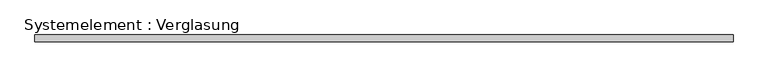
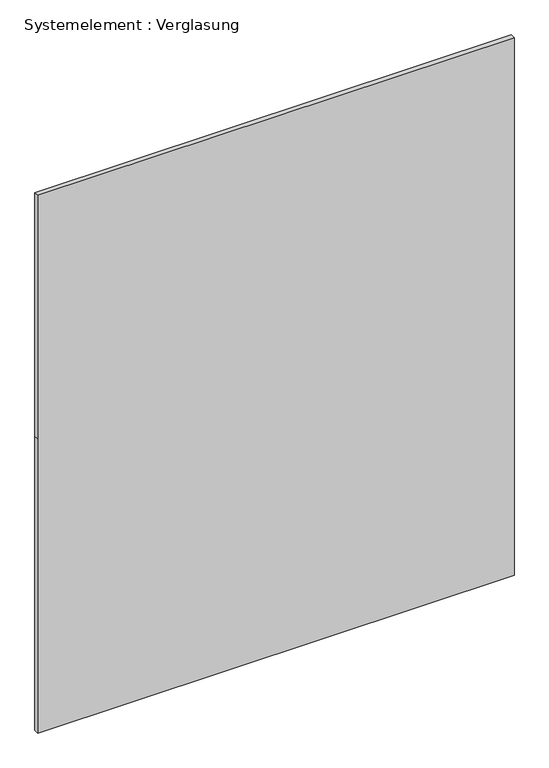
"""IFC4 building model written with IfcOpenShell, lengths in millimetres: plate geometry, Systemelement : Verglasung."""

from ifc_helpers import new_model, si_unit, frame, origin, place, context, project, spatial, polyline, outline, extrude, source, transform, mapped, element, save


def systemelement_verglasung_c36ed439(model_context):
    return source(origin(), model_context, "Body", "SweptSolid", [
        extrude(outline(polyline([(0.0, -1527.5321742), (0.0, 1527.5321742), (1995.0, 1527.5321742), (3645.0, 1527.5321742), (3645.0, -1527.5321742), (1995.0, -1527.5321742), (0.0, -1527.5321742)])), frame((0.0, -15.0, 0.0), z_axis=(0.0, 1.0, 0.0), x_axis=(0.0, 0.0, 1.0)), (0.0, 0.0, 1.0), 30.0),
    ])


if __name__ == "__main__":
    model = new_model("IFC4")
    model_context = context("Model", 3, world=origin())
    ifc_project = project(units=[si_unit("LENGTHUNIT", "METRE", prefix="MILLI")], contexts=[model_context])
    site = spatial("IfcSite", under=ifc_project)
    building = spatial("IfcBuilding", under=site)
    placement = place(None, origin())
    systemelement_verglasung_shape = systemelement_verglasung_c36ed439(model_context)
    element("IfcPlate", 1, ObjectType="Systemelement : Verglasung", at=placement, inside=building, context=model_context, shape_type="MappedRepresentation", body=[
        mapped(systemelement_verglasung_shape, transform((0.0, 0.0, 0.0), x_axis=(1.0, 0.0, 0.0), y_axis=(0.0, 1.0, 0.0), z_axis=(0.0, 0.0, 1.0))),
    ])
    save(model, "model.ifc")
